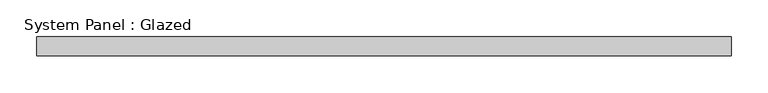
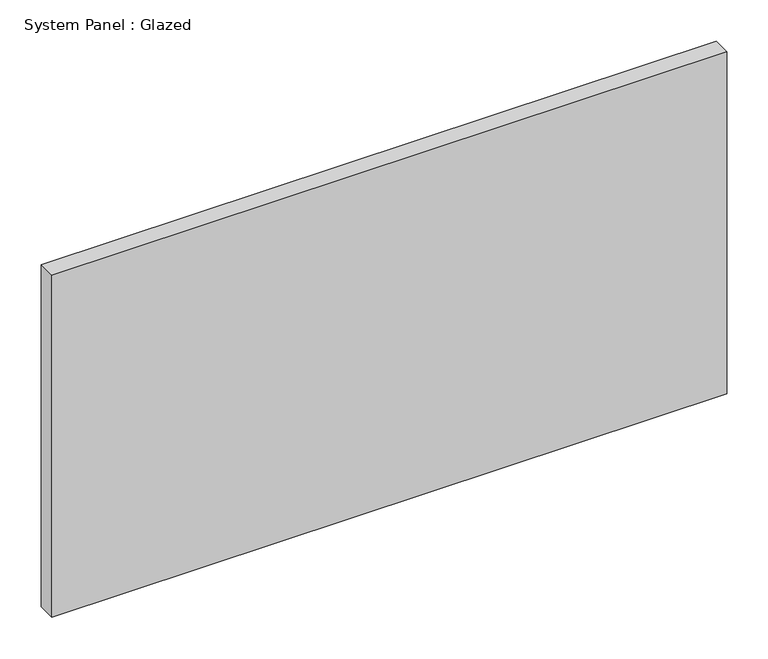
"""IFC4 building model written with IfcOpenShell, lengths in millimetres: plate geometry, System Panel : Glazed."""

from ifc_helpers import new_model, si_unit, origin, origin_with_axes, place, context, project, spatial, polyline, outline, extrude, source, transform, mapped, element, save


def system_panel_glazed_1c146fed(model_context):
    return source(origin(), model_context, "Body", "SweptSolid", [
        extrude(outline(polyline([(469.9, 19.05), (-469.9, 19.05), (-469.9, 44.45), (469.9, 44.45), (469.9, 19.05)])), origin_with_axes(), (0.0, 0.0, 1.0), 503.7666667),
    ])


if __name__ == "__main__":
    model = new_model("IFC4")
    model_context = context("Model", 3, world=origin())
    ifc_project = project(units=[si_unit("LENGTHUNIT", "METRE", prefix="MILLI")], contexts=[model_context])
    site = spatial("IfcSite", under=ifc_project)
    building = spatial("IfcBuilding", under=site)
    placement = place(None, origin())
    system_panel_glazed_shape = system_panel_glazed_1c146fed(model_context)
    element("IfcPlate", 1, ObjectType="System Panel : Glazed", at=placement, inside=building, context=model_context, shape_type="MappedRepresentation", body=[
        mapped(system_panel_glazed_shape, transform((0.0, 0.0, 0.0), x_axis=(1.0, 0.0, 0.0), y_axis=(0.0, 1.0, 0.0), z_axis=(0.0, 0.0, 1.0))),
    ])
    save(model, "model.ifc")
